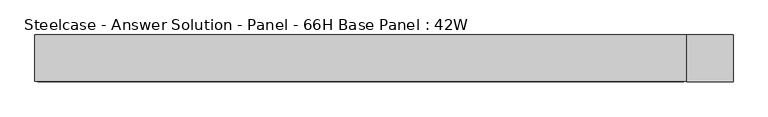
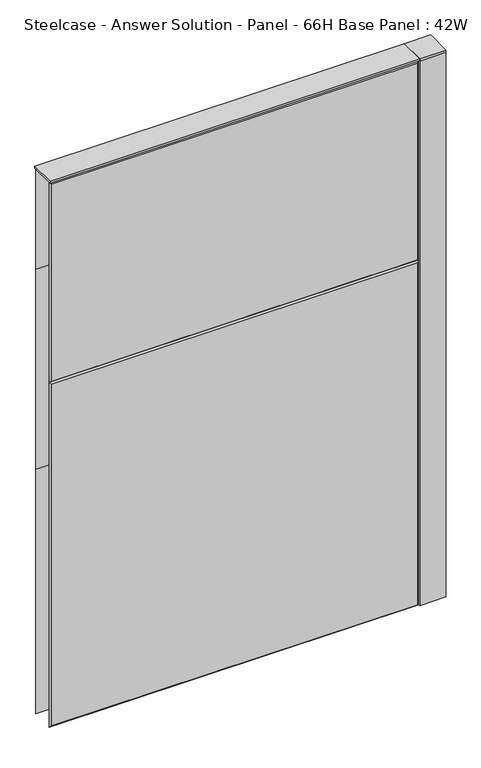
"""IFC4 building model written with IfcOpenShell, lengths in millimetres: furniture geometry, Steelcase - Answer Solution - Panel - 66H Base Panel : 42W."""

from ifc_helpers import new_model, si_unit, point, frame, frame_2d, origin, place, context, project, spatial, polyline, circle_curve, trimmed, segment, composite_curve, outline, extrude, faceted_brep, source, transform, mapped, element, save


def steelcase_answer_solution_panel_66h_base_panel_42w_6cb6f84f(model_context):
    return source(origin(), model_context, "Body", "SolidModel", [
        extrude(outline(composite_curve([segment(trimmed(circle_curve(frame_2d((571.5, -0.0320214)), 5.08), [point((576.58, -0.0320214))], [point((566.42, -0.0320214))], False, "CARTESIAN"), True, "CONTINUOUS"), segment(trimmed(circle_curve(frame_2d((571.5, -0.0320214)), 5.08), [point((566.42, -0.0320214))], [point((576.58, -0.0320214))], False, "CARTESIAN"), True, "CONTINUOUS")], self_intersect=False)), frame((0.0, 0.0, 5.0799671), z_axis=(0.0, 0.0, 1.0), x_axis=(1.0, 0.0, 0.0)), (0.0, 0.0, 1.0), 10.414),
        extrude(outline(composite_curve([segment(trimmed(circle_curve(frame_2d((571.5, -0.0320214)), 15.24), [point((586.74, -0.0320214))], [point((556.26, -0.0320214))], False, "CARTESIAN"), True, "CONTINUOUS"), segment(trimmed(circle_curve(frame_2d((571.5, -0.0320214)), 15.24), [point((556.26, -0.0320214))], [point((586.74, -0.0320214))], False, "CARTESIAN"), True, "CONTINUOUS")], self_intersect=False)), frame((0.0, 0.0, -3.29e-05), z_axis=(0.0, 0.0, 1.0), x_axis=(1.0, 0.0, 0.0)), (0.0, 0.0, 1.0), 5.08),
        extrude(outline(polyline([(609.6, -38.1320408), (533.4, -38.1320408), (533.4, 38.0679592), (609.6, 38.0679592), (609.6, -38.1320408)])), frame((0.0, 0.0, 1675.4348), z_axis=(0.0, 0.0, 1.0), x_axis=(1.0, 0.0, 0.0)), (0.0, 0.0, 1.0), 7.3151671),
        extrude(outline(polyline([(609.6, -38.1320408), (533.4, -38.1320408), (533.4, 38.0679592), (609.6, 38.0679592), (609.6, -38.1320408)])), frame((0.0, 0.0, 15.4939671), z_axis=(0.0, 0.0, 1.0), x_axis=(1.0, 0.0, 0.0)), (0.0, 0.0, 1.0), 1659.89),
        faceted_brep([(-528.574, -38.1635011, 1671.574), (-528.574, -38.1635011, 1071.626), (528.574, -38.1635011, 1071.626), (528.574, -38.1635011, 1671.574), (-533.4, -33.3375011, 1676.4), (533.4, -33.3375011, 1676.4), (533.4, -33.3375011, 1066.8), (-533.4, -33.3375011, 1066.8)], [[[0, 1, 2, 3]], [[4, 5, 6, 7]], [[4, 0, 3, 5]], [[5, 3, 2, 6]], [[6, 2, 1, 7]], [[7, 1, 0, 4]]]),
        faceted_brep([(-528.574, -38.1635011, 1061.974), (-528.574, -38.1635011, 20.32), (528.574, -38.1635011, 20.32), (528.574, -38.1635011, 1061.974), (-533.4, -33.3375011, 1066.8), (533.4, -33.3375011, 1066.8), (533.4, -33.3375011, 15.494), (-533.4, -33.3375011, 15.494)], [[[0, 1, 2, 3]], [[4, 5, 6, 7]], [[4, 0, 3, 5]], [[5, 3, 2, 6]], [[6, 2, 1, 7]], [[7, 1, 0, 4]]]),
        faceted_brep([(528.574, 38.1635011, 1671.574), (528.574, 38.1635011, 1376.426), (-528.574, 38.1635011, 1376.426), (-528.574, 38.1635011, 1671.574), (533.4, 33.3375011, 1676.4), (-533.4, 33.3375011, 1676.4), (-533.4, 33.3375011, 1371.6), (533.4, 33.3375011, 1371.6)], [[[0, 1, 2, 3]], [[4, 5, 6, 7]], [[4, 0, 3, 5]], [[5, 3, 2, 6]], [[6, 2, 1, 7]], [[7, 1, 0, 4]]]),
        faceted_brep([(528.574, 38.1635011, 1366.774), (528.574, 38.1635011, 766.826), (-528.574, 38.1635011, 766.826), (-528.574, 38.1635011, 1366.774), (533.4, 33.3375011, 1371.6), (-533.4, 33.3375011, 1371.6), (-533.4, 33.3375011, 762.0), (533.4, 33.3375011, 762.0)], [[[0, 1, 2, 3]], [[4, 5, 6, 7]], [[4, 0, 3, 5]], [[5, 3, 2, 6]], [[6, 2, 1, 7]], [[7, 1, 0, 4]]]),
        faceted_brep([(528.574, 38.1635011, 757.174), (528.574, 38.1635011, 20.32), (-528.574, 38.1635011, 20.32), (-528.574, 38.1635011, 757.174), (533.4, 33.3375011, 762.0), (-533.4, 33.3375011, 762.0), (-533.4, 33.3375011, 15.494), (533.4, 33.3375011, 15.494)], [[[0, 1, 2, 3]], [[4, 5, 6, 7]], [[4, 0, 3, 5]], [[5, 3, 2, 6]], [[6, 2, 1, 7]], [[7, 1, 0, 4]]]),
        extrude(outline(polyline([(533.4, -38.1000194), (-533.4, -38.1000194), (-533.4, 38.1000194), (533.4, 38.1000194), (533.4, -38.1000194)])), frame((0.0, 0.0, 1676.4), z_axis=(0.0, 0.0, 1.0), x_axis=(1.0, 0.0, 0.0)), (0.0, 0.0, 1.0), 6.35),
    ])


if __name__ == "__main__":
    model = new_model("IFC4")
    model_context = context("Model", 3, world=origin())
    ifc_project = project(units=[si_unit("LENGTHUNIT", "METRE", prefix="MILLI")], contexts=[model_context])
    site = spatial("IfcSite", under=ifc_project)
    building = spatial("IfcBuilding", under=site)
    placement = place(None, origin())
    steelcase_answer_solution_panel_66h_base_panel_42w_shape = steelcase_answer_solution_panel_66h_base_panel_42w_6cb6f84f(model_context)
    element("IfcFurniture", 1, ObjectType="Steelcase - Answer Solution - Panel - 66H Base Panel : 42W", at=placement, inside=building, context=model_context, shape_type="MappedRepresentation", body=[
        mapped(steelcase_answer_solution_panel_66h_base_panel_42w_shape, transform((0.0, 0.0, 0.0), x_axis=(1.0, 0.0, 0.0), y_axis=(0.0, 1.0, 0.0), z_axis=(0.0, 0.0, 1.0))),
    ])
    save(model, "model.ifc")
